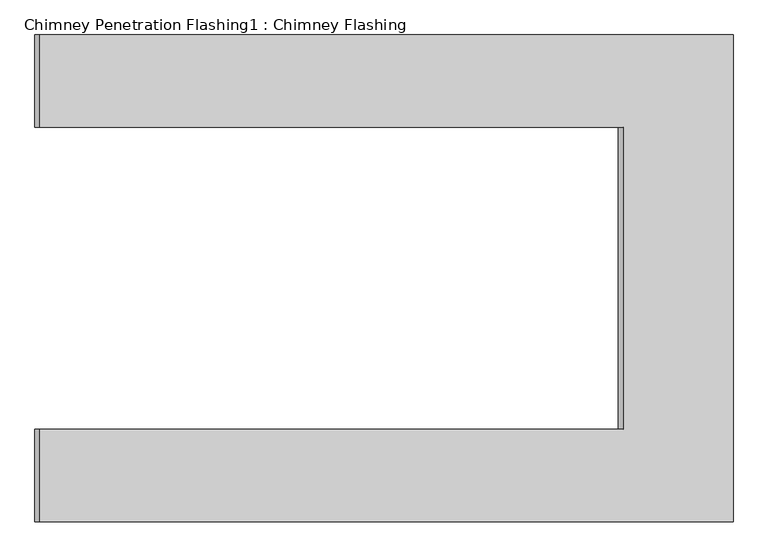
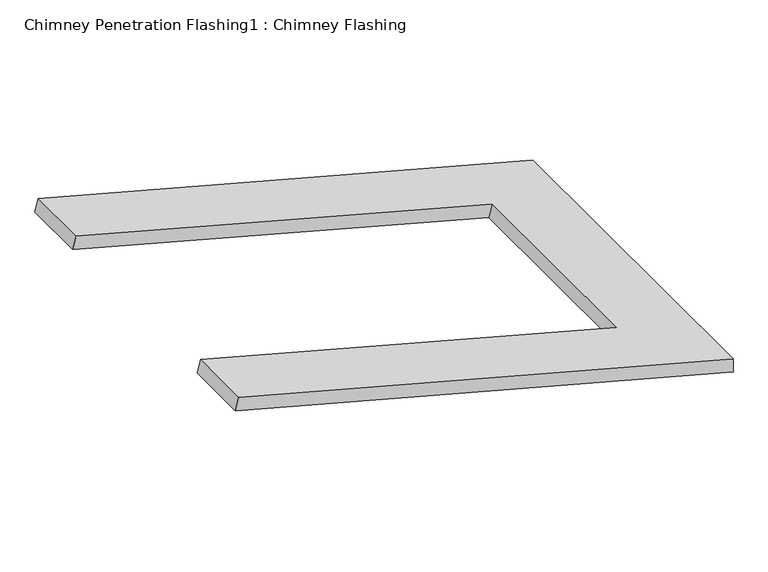
"""IFC4 building model written with IfcOpenShell, lengths in millimetres: proxy geometry, Chimney Penetration Flashing1 : Chimney Flashing."""

from ifc_helpers import new_model, si_unit, origin, place, context, project, spatial, faceted_brep, source, transform, mapped, element, save


def chimney_penetration_flashing1_chimney_flashing_6a7cc367(model_context):
    return source(origin(), model_context, "Body", "Brep", [
        faceted_brep([(11071.0325254, -12056.559391, 6876.3272044), (11071.0325254, -12056.559391, 6915.1260589), (9693.4395178, -12056.559391, 7284.2509927), (9683.7492993, -12056.559391, 7248.0486245), (11071.0325254, -11089.2324935, 6876.3272044), (9683.7492993, -11089.2324935, 7248.0486245), (9693.4395178, -11089.2324935, 7284.2509927), (11071.0325254, -11089.2324935, 6915.1260589), (9693.4395178, -11272.8959422, 7284.2509927), (10852.550479, -11272.8959422, 6973.6681468), (10852.550479, -11872.8959422, 6973.6681468), (9693.4395178, -11872.8959422, 7284.2509927), (9683.7492993, -11872.8959422, 7248.0486245), (9683.7492993, -11272.8959422, 7248.0486245), (10842.8507654, -11872.8959422, 6937.4683227), (10842.8507654, -11272.8959422, 6937.4683227)], [[[0, 1, 2, 3]], [[4, 5, 6, 7]], [[1, 0, 4, 7]], [[2, 1, 7, 6, 8, 9, 10, 11]], [[3, 2, 11, 12]], [[6, 5, 13, 8]], [[0, 3, 12, 14, 15, 13, 5, 4]], [[15, 9, 8, 13]], [[9, 15, 14, 10]], [[10, 14, 12, 11]]]),
    ])


if __name__ == "__main__":
    model = new_model("IFC4")
    model_context = context("Model", 3, world=origin())
    ifc_project = project(units=[si_unit("LENGTHUNIT", "METRE", prefix="MILLI")], contexts=[model_context])
    site = spatial("IfcSite", under=ifc_project)
    building = spatial("IfcBuilding", under=site)
    placement = place(None, origin())
    chimney_penetration_flashing1_chimney_flashing_shape = chimney_penetration_flashing1_chimney_flashing_6a7cc367(model_context)
    element("IfcBuildingElementProxy", 1, Name="Chimney Penetration Flashing1 : Chimney Flashing", ObjectType="Chimney Penetration Flashing1 : Chimney Flashing", at=placement, inside=building, context=model_context, shape_type="MappedRepresentation", body=[
        mapped(chimney_penetration_flashing1_chimney_flashing_shape, transform((0.0, 0.0, 0.0), x_axis=(1.0, 0.0, 0.0), y_axis=(0.0, 1.0, 0.0), z_axis=(0.0, 0.0, 1.0))),
    ])
    save(model, "model.ifc")
